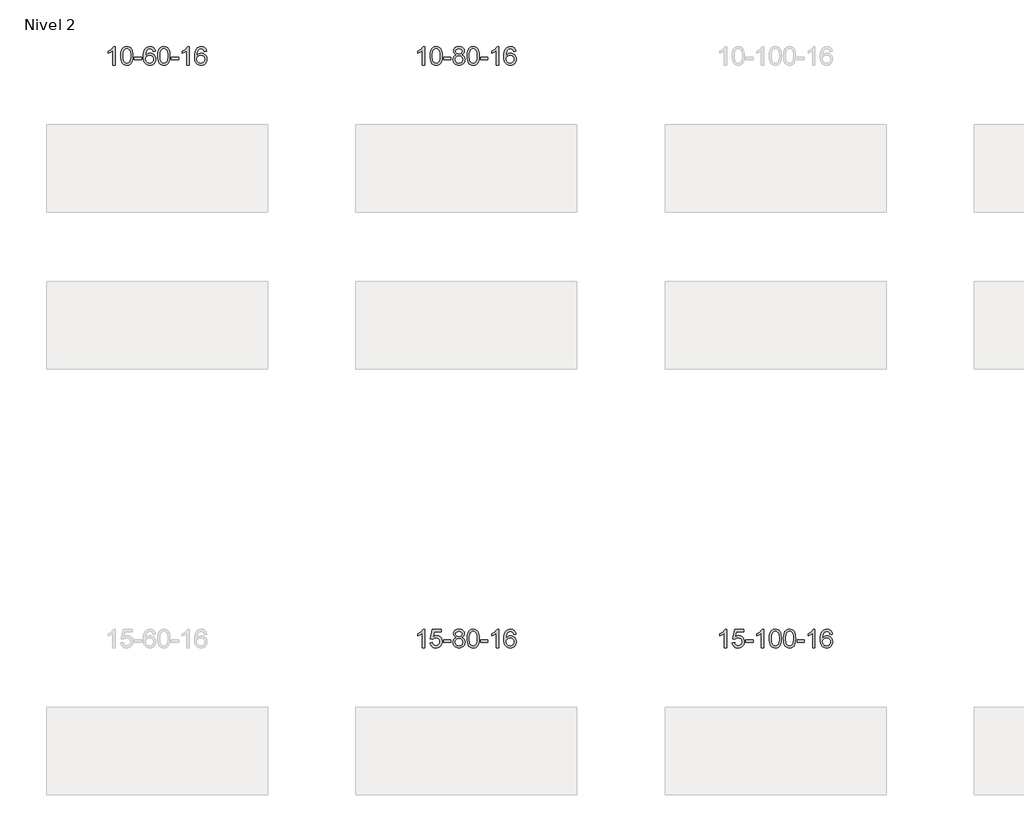
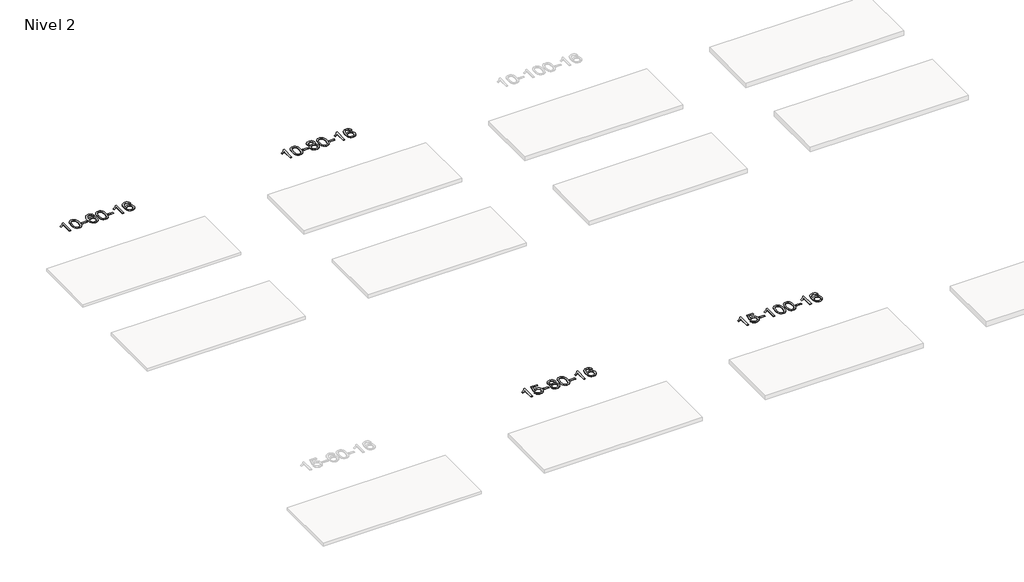
# One storey, part 32 of 51: 4 proxies.
"""IFC4 building model written with IfcOpenShell, lengths in millimetres."""

from ifc_helpers import new_model, si_unit, frame, origin, place, context, project, spatial, polyline, outline, extrude, element, save

model = new_model("IFC4")

# Units and contexts
model_context = context("Model", 3, world=origin())
ifc_project = project(units=[si_unit("LENGTHUNIT", "METRE", prefix="MILLI")], contexts=[model_context])

# Site, building, storey
site = spatial("IfcSite", under=ifc_project)
building = spatial("IfcBuilding", under=site)
storey = spatial("IfcBuildingStorey", under=building, Name="Nivel 2", Elevation=3000.0)

# Proxies
placement = place(None, origin())
element("IfcBuildingElementProxy", 1, Name="Texto de modelo 1", ObjectType="Texto de modelo 1", at=placement, inside=storey, context=model_context, shape_type="SweptSolid", body=[
    extrude(outline(polyline([(4824.6154698, -64430.3053468), (4774.3873148, -64430.3053468), (4774.3873148, -64117.1641925), (4753.418041, -64134.1235525), (4726.80791, -64151.058387), (4673.9310046, -64176.4177192), (4673.9310046, -64128.9364164), (4713.3802172, -64107.4766333), (4747.5564546, -64081.9456229), (4774.4976794, -64054.7959316), (4792.2418543, -64028.4801062), (4824.6154698, -64028.4801062), (4824.6154698, -64430.3053468)])), frame((0.0, 0.0, 3000.0), z_axis=(0.0, 0.0, 1.0), x_axis=(1.0, 0.0, 0.0)), (0.0, 0.0, 1.0), 10.0),
    extrude(outline(polyline([(4943.9073381, -64232.6300881), (4947.5984208, -64168.3120526), (4958.6716689, -64117.0170397), (4977.0167177, -64077.9602346), (4988.8747807, -64062.7268543), (5002.5232027, -64050.3568222), (5018.007969, -64040.785759), (5035.3750649, -64033.9492852), (5075.7562452, -64028.4801062), (5106.7073837, -64031.7174678), (5134.4211607, -64041.4295525), (5157.5977264, -64057.2362155), (5174.9372311, -64078.7573122), (5188.0338301, -64105.8089016), (5198.4816788, -64138.2070427), (5205.3242839, -64179.3485125), (5207.6051523, -64232.6300881), (5203.9508578, -64296.5802416), (5192.9879743, -64347.7526271), (5174.7532901, -64386.8462205), (5162.9228183, -64402.125586), (5149.2835933, -64414.5599974), (5133.7804329, -64424.19544), (5116.3581547, -64431.077899), (5075.7562452, -64436.5838662), (5048.0915192, -64434.1926333), (5023.5660528, -64427.0189343), (5002.1798462, -64415.0627695), (4983.9328992, -64398.3241387), (4966.4217162, -64368.0658446), (4953.9137284, -64330.3640715), (4946.4089357, -64285.2188193), (4943.9073381, -64232.6300881)]), holes=[polyline([(4994.1354932, -64232.5319862), (4995.6070212, -64276.1965134), (5000.0216051, -64311.5407761), (5007.379245, -64338.5647743), (5017.6799409, -64357.2685081), (5030.1388778, -64369.9941594), (5043.9712408, -64379.0839104), (5059.17703, -64384.537761), (5075.7562452, -64386.3557111), (5092.3354605, -64384.5316296), (5107.5412496, -64379.0593849), (5121.3736126, -64369.9389771), (5133.8325495, -64357.1704062), (5144.1332454, -64338.4360156), (5151.4908853, -64311.4181487), (5155.9054692, -64276.1168056), (5157.3769972, -64232.5319862), (5155.9545202, -64190.0232217), (5151.687089, -64155.3012927), (5144.5747038, -64128.3661993), (5134.6173644, -64109.2179414), (5122.366894, -64095.8699564), (5108.3751154, -64086.3356813), (5092.6420288, -64080.6151163), (5075.167634, -64078.7082613), (5058.6742579, -64080.3882558), (5043.7259862, -64085.4282391), (5030.3228188, -64093.8282113), (5018.4647558, -64105.5881724), (5007.8207034, -64126.4348188), (5000.2178089, -64154.5410033), (4995.6560721, -64189.9067257), (4994.1354932, -64232.5319862)])]), frame((0.0, 0.0, 3000.0), z_axis=(0.0, 0.0, 1.0), x_axis=(1.0, 0.0, 0.0)), (0.0, 0.0, 1.0), 10.0),
    extrude(outline(polyline([(5238.9977492, -64311.0134785), (5238.9977492, -64260.7853235), (5395.9607338, -64260.7853235), (5395.9607338, -64311.0134785), (5238.9977492, -64311.0134785)])), frame((0.0, 0.0, 3000.0), z_axis=(0.0, 0.0, 1.0), x_axis=(1.0, 0.0, 0.0)), (0.0, 0.0, 1.0), 10.0),
    extrude(outline(polyline([(5697.3296643, -64135.2149358), (5647.1015092, -64141.4934552), (5639.0081053, -64116.6001068), (5628.0697473, -64099.6039586), (5605.2855891, -64083.9321856), (5577.7434904, -64078.7082613), (5554.3952464, -64081.7494191), (5532.4204286, -64090.8728926), (5513.5480822, -64110.0885955), (5498.1338266, -64136.539311), (5487.7227661, -64173.9529099), (5483.8600052, -64226.0572631), (5504.0076758, -64202.5496036), (5528.1529974, -64185.9826511), (5554.9470694, -64176.1602018), (5583.0409911, -64172.8860521), (5607.17405, -64175.1240009), (5629.4431734, -64181.8378473), (5649.8483614, -64193.0275913), (5668.389614, -64208.6932329), (5683.7977382, -64227.9028045), (5694.8035412, -64249.7243381), (5701.407023, -64274.157834), (5703.6081836, -64301.203292), (5699.4633798, -64337.1698884), (5687.0289684, -64370.5122599), (5667.3350189, -64398.7901226), (5641.411601, -64419.5631926), (5610.435937, -64432.3286978), (5575.5852493, -64436.5838662), (5545.6427206, -64433.7634376), (5518.6003283, -64425.3021517), (5494.4580723, -64411.2000086), (5473.2159528, -64391.4570081), (5455.8979079, -64365.2392846), (5443.5278758, -64331.7129721), (5436.1058565, -64290.8780707), (5433.6318501, -64242.7345802), (5436.3787023, -64188.7601602), (5444.619259, -64142.695203), (5458.3535202, -64104.5397087), (5477.5814858, -64074.2936774), (5498.4220008, -64054.25024), (5522.5857165, -64039.933499), (5550.072633, -64031.3434544), (5580.88275, -64028.4801062), (5604.0163962, -64030.2520712), (5624.9550131, -64035.567966), (5643.6986007, -64044.4277907), (5660.2471591, -64056.8315453), (5674.1530986, -64072.3622969), (5684.9688292, -64090.6031125), (5692.6943511, -64111.5539921), (5697.3296643, -64135.2149358)]), holes=[polyline([(5483.8600052, -64300.4184771), (5486.7662729, -64322.6753378), (5495.4850762, -64343.9266544), (5509.0231337, -64362.1981268), (5526.3871638, -64375.515455), (5547.3441748, -64383.6456471), (5571.6611747, -64386.3557111), (5604.8073425, -64380.7393794), (5618.7224789, -64373.7189646), (5630.8656505, -64363.890384), (5640.7156909, -64351.6521763), (5647.751434, -64337.4028803), (5653.3800286, -64302.8710237), (5647.8250104, -64269.7248559), (5640.8812378, -64256.1040251), (5631.1599561, -64244.4513629), (5618.9799963, -64235.1163572), (5604.6601897, -64228.4484961), (5569.6010355, -64223.1142072), (5536.5039187, -64228.4484961), (5508.8269299, -64244.4513629), (5497.9039004, -64255.9507409), (5490.1017364, -64269.1117193), (5485.420438, -64283.934298), (5483.8600052, -64300.4184771)])]), frame((0.0, 0.0, 3000.0), z_axis=(0.0, 0.0, 1.0), x_axis=(1.0, 0.0, 0.0)), (0.0, 0.0, 1.0), 10.0),
    extrude(outline(polyline([(5747.5578193, -64232.6300881), (5751.248902, -64168.3120526), (5762.3221501, -64117.0170397), (5780.6671989, -64077.9602346), (5792.5252619, -64062.7268543), (5806.1736839, -64050.3568222), (5821.6584502, -64040.785759), (5839.0255461, -64033.9492852), (5879.4067264, -64028.4801062), (5910.3578649, -64031.7174678), (5938.0716419, -64041.4295525), (5961.2482076, -64057.2362155), (5978.5877123, -64078.7573122), (5991.6843113, -64105.8089016), (6002.13216, -64138.2070427), (6008.9747651, -64179.3485125), (6011.2556335, -64232.6300881), (6007.601339, -64296.5802416), (5996.6384555, -64347.7526271), (5978.4037713, -64386.8462205), (5966.5732995, -64402.125586), (5952.9340745, -64414.5599974), (5937.4309141, -64424.19544), (5920.0086359, -64431.077899), (5879.4067264, -64436.5838662), (5851.7420004, -64434.1926333), (5827.216534, -64427.0189343), (5805.8303274, -64415.0627695), (5787.5833804, -64398.3241387), (5770.0721974, -64368.0658446), (5757.5642096, -64330.3640715), (5750.0594169, -64285.2188193), (5747.5578193, -64232.6300881)]), holes=[polyline([(5797.7859744, -64232.5319862), (5799.2575024, -64276.1965134), (5803.6720863, -64311.5407761), (5811.0297262, -64338.5647743), (5821.3304221, -64357.2685081), (5833.789359, -64369.9941594), (5847.621722, -64379.0839104), (5862.8275112, -64384.537761), (5879.4067264, -64386.3557111), (5895.9859417, -64384.5316296), (5911.1917308, -64379.0593849), (5925.0240938, -64369.9389771), (5937.4830307, -64357.1704062), (5947.7837266, -64338.4360156), (5955.1413665, -64311.4181487), (5959.5559504, -64276.1168056), (5961.0274784, -64232.5319862), (5959.6050013, -64190.0232217), (5955.3375702, -64155.3012927), (5948.225185, -64128.3661993), (5938.2678456, -64109.2179414), (5926.0173752, -64095.8699564), (5912.0255966, -64086.3356813), (5896.29251, -64080.6151163), (5878.8181152, -64078.7082613), (5862.3247391, -64080.3882558), (5847.3764674, -64085.4282391), (5833.9733, -64093.8282113), (5822.115237, -64105.5881724), (5811.4711846, -64126.4348188), (5803.8682901, -64154.5410033), (5799.3065533, -64189.9067257), (5797.7859744, -64232.5319862)])]), frame((0.0, 0.0, 3000.0), z_axis=(0.0, 0.0, 1.0), x_axis=(1.0, 0.0, 0.0)), (0.0, 0.0, 1.0), 10.0),
    extrude(outline(polyline([(6042.6482304, -64311.0134785), (6042.6482304, -64260.7853235), (6199.611215, -64260.7853235), (6199.611215, -64311.0134785), (6042.6482304, -64311.0134785)])), frame((0.0, 0.0, 3000.0), z_axis=(0.0, 0.0, 1.0), x_axis=(1.0, 0.0, 0.0)), (0.0, 0.0, 1.0), 10.0),
    extrude(outline(polyline([(6431.9164322, -64430.3053468), (6381.6882771, -64430.3053468), (6381.6882771, -64117.1641925), (6360.7190034, -64134.1235525), (6334.1088724, -64151.058387), (6281.231967, -64176.4177192), (6281.231967, -64128.9364164), (6320.6811796, -64107.4766333), (6354.857417, -64081.9456229), (6381.7986417, -64054.7959316), (6399.5428166, -64028.4801062), (6431.9164322, -64028.4801062), (6431.9164322, -64430.3053468)])), frame((0.0, 0.0, 3000.0), z_axis=(0.0, 0.0, 1.0), x_axis=(1.0, 0.0, 0.0)), (0.0, 0.0, 1.0), 10.0),
    extrude(outline(polyline([(6808.6275953, -64135.2149358), (6758.3994402, -64141.4934552), (6750.3060363, -64116.6001068), (6739.3676783, -64099.6039586), (6716.5835201, -64083.9321856), (6689.0414214, -64078.7082613), (6665.6931774, -64081.7494191), (6643.7183596, -64090.8728926), (6624.8460132, -64110.0885955), (6609.4317576, -64136.539311), (6599.0206972, -64173.9529099), (6595.1579362, -64226.0572631), (6615.3056068, -64202.5496036), (6639.4509284, -64185.9826511), (6666.2450004, -64176.1602018), (6694.3389221, -64172.8860521), (6718.471981, -64175.1240009), (6740.7411044, -64181.8378473), (6761.1462924, -64193.0275913), (6779.687545, -64208.6932329), (6795.0956692, -64227.9028045), (6806.1014723, -64249.7243381), (6812.7049541, -64274.157834), (6814.9061147, -64301.203292), (6810.7613109, -64337.1698884), (6798.3268994, -64370.5122599), (6778.6329499, -64398.7901226), (6752.709532, -64419.5631926), (6721.733868, -64432.3286978), (6686.8831803, -64436.5838662), (6656.9406516, -64433.7634376), (6629.8982593, -64425.3021517), (6605.7560034, -64411.2000086), (6584.5138838, -64391.4570081), (6567.1958389, -64365.2392846), (6554.8258068, -64331.7129721), (6547.4037876, -64290.8780707), (6544.9297811, -64242.7345802), (6547.6766334, -64188.7601602), (6555.9171901, -64142.695203), (6569.6514512, -64104.5397087), (6588.8794168, -64074.2936774), (6609.7199319, -64054.25024), (6633.8836476, -64039.933499), (6661.370564, -64031.3434544), (6692.1806811, -64028.4801062), (6715.3143272, -64030.2520712), (6736.2529441, -64035.567966), (6754.9965318, -64044.4277907), (6771.5450902, -64056.8315453), (6785.4510296, -64072.3622969), (6796.2667602, -64090.6031125), (6803.9922821, -64111.5539921), (6808.6275953, -64135.2149358)]), holes=[polyline([(6595.1579362, -64300.4184771), (6598.064204, -64322.6753378), (6606.7830073, -64343.9266544), (6620.3210647, -64362.1981268), (6637.6850949, -64375.515455), (6658.6421059, -64383.6456471), (6682.9591057, -64386.3557111), (6716.1052735, -64380.7393794), (6730.02041, -64373.7189646), (6742.1635815, -64363.890384), (6752.0136219, -64351.6521763), (6759.0493651, -64337.4028803), (6764.6779596, -64302.8710237), (6759.1229415, -64269.7248559), (6752.1791688, -64256.1040251), (6742.4578871, -64244.4513629), (6730.2779274, -64235.1163572), (6715.9581207, -64228.4484961), (6680.8989666, -64223.1142072), (6647.8018497, -64228.4484961), (6620.124861, -64244.4513629), (6609.2018314, -64255.9507409), (6601.3996674, -64269.1117193), (6596.718369, -64283.934298), (6595.1579362, -64300.4184771)])]), frame((0.0, 0.0, 3000.0), z_axis=(0.0, 0.0, 1.0), x_axis=(1.0, 0.0, 0.0)), (0.0, 0.0, 1.0), 10.0),
])
element("IfcBuildingElementProxy", 2, Name="Texto de modelo 1", ObjectType="Texto de modelo 1", at=placement, inside=storey, context=model_context, shape_type="SweptSolid", body=[
    extrude(outline(polyline([(11539.5560047, -64430.3053468), (11489.3278496, -64430.3053468), (11489.3278496, -64117.1641925), (11468.3585759, -64134.1235525), (11441.7484449, -64151.058387), (11388.8715394, -64176.4177192), (11388.8715394, -64128.9364164), (11428.320752, -64107.4766333), (11462.4969894, -64081.9456229), (11489.4382142, -64054.7959316), (11507.1823891, -64028.4801062), (11539.5560047, -64028.4801062), (11539.5560047, -64430.3053468)])), frame((0.0, 0.0, 3000.0), z_axis=(0.0, 0.0, 1.0), x_axis=(1.0, 0.0, 0.0)), (0.0, 0.0, 1.0), 10.0),
    extrude(outline(polyline([(11658.847873, -64232.6300881), (11662.5389556, -64168.3120526), (11673.6122037, -64117.0170397), (11691.9572525, -64077.9602346), (11703.8153155, -64062.7268543), (11717.4637375, -64050.3568222), (11732.9485038, -64040.785759), (11750.3155997, -64033.9492852), (11790.69678, -64028.4801062), (11821.6479186, -64031.7174678), (11849.3616955, -64041.4295525), (11872.5382612, -64057.2362155), (11889.8777659, -64078.7573122), (11902.974365, -64105.8089016), (11913.4222136, -64138.2070427), (11920.2648187, -64179.3485125), (11922.5456871, -64232.6300881), (11918.8913926, -64296.5802416), (11907.9285092, -64347.7526271), (11889.6938249, -64386.8462205), (11877.8633531, -64402.125586), (11864.2241281, -64414.5599974), (11848.7209677, -64424.19544), (11831.2986896, -64431.077899), (11790.69678, -64436.5838662), (11763.032054, -64434.1926333), (11738.5065876, -64427.0189343), (11717.120381, -64415.0627695), (11698.873434, -64398.3241387), (11681.3622511, -64368.0658446), (11668.8542632, -64330.3640715), (11661.3494705, -64285.2188193), (11658.847873, -64232.6300881)]), holes=[polyline([(11709.076028, -64232.5319862), (11710.547556, -64276.1965134), (11714.96214, -64311.5407761), (11722.3197799, -64338.5647743), (11732.6204757, -64357.2685081), (11745.0794126, -64369.9941594), (11758.9117756, -64379.0839104), (11774.1175648, -64384.537761), (11790.69678, -64386.3557111), (11807.2759953, -64384.5316296), (11822.4817844, -64379.0593849), (11836.3141474, -64369.9389771), (11848.7730843, -64357.1704062), (11859.0737802, -64338.4360156), (11866.4314201, -64311.4181487), (11870.846004, -64276.1168056), (11872.317532, -64232.5319862), (11870.895055, -64190.0232217), (11866.6276238, -64155.3012927), (11859.5152386, -64128.3661993), (11849.5578993, -64109.2179414), (11837.3074288, -64095.8699564), (11823.3156503, -64086.3356813), (11807.5825636, -64080.6151163), (11790.1081688, -64078.7082613), (11773.6147927, -64080.3882558), (11758.666521, -64085.4282391), (11745.2633536, -64093.8282113), (11733.4052906, -64105.5881724), (11722.7612383, -64126.4348188), (11715.1583437, -64154.5410033), (11710.5966069, -64189.9067257), (11709.076028, -64232.5319862)])]), frame((0.0, 0.0, 3000.0), z_axis=(0.0, 0.0, 1.0), x_axis=(1.0, 0.0, 0.0)), (0.0, 0.0, 1.0), 10.0),
    extrude(outline(polyline([(11953.938284, -64311.0134785), (11953.938284, -64260.7853235), (12110.9012686, -64260.7853235), (12110.9012686, -64311.0134785), (11953.938284, -64311.0134785)])), frame((0.0, 0.0, 3000.0), z_axis=(0.0, 0.0, 1.0), x_axis=(1.0, 0.0, 0.0)), (0.0, 0.0, 1.0), 10.0),
    extrude(outline(polyline([(12228.0348959, -64208.9875385), (12201.142722, -64195.7437867), (12182.2703757, -64177.7911453), (12171.1235512, -64155.4974964), (12167.4079431, -64129.230722), (12169.4312941, -64108.7458262), (12175.501347, -64089.9654504), (12185.6181019, -64072.8895944), (12199.7815587, -64057.5182584), (12217.3111357, -64044.8140668), (12237.5262514, -64035.7396443), (12260.4269056, -64030.2949907), (12286.0130983, -64028.4801062), (12311.7219184, -64030.3379103), (12334.7942509, -64035.9113225), (12355.2300957, -64045.2003429), (12373.0294529, -64058.2049714), (12387.4504271, -64073.8767444), (12397.751123, -64091.1671982), (12403.9315405, -64110.0763328), (12405.9916797, -64130.6041481), (12402.3251225, -64156.024794), (12391.3254508, -64177.9382981), (12372.8700374, -64195.7805749), (12346.8362549, -64208.9875385), (12377.7506052, -64224.9168289), (12400.2527206, -64248.3754375), (12413.974719, -64278.2351928), (12418.5487185, -64313.3679233), (12416.2801128, -64338.4206872), (12409.4742959, -64361.3887864), (12398.1312677, -64382.272221), (12382.2510283, -64401.070991), (12362.6674434, -64416.6078739), (12340.214379, -64427.7056474), (12314.891835, -64434.3643115), (12286.6998114, -64436.5838662), (12258.5077878, -64434.3551145), (12233.1852438, -64427.6688592), (12210.7321794, -64416.5251004), (12191.1485945, -64400.9238382), (12175.2683551, -64381.9932438), (12163.9253269, -64360.8614889), (12157.11951, -64337.5285733), (12154.8509043, -64311.9944972), (12159.6088448, -64275.5006033), (12173.8826662, -64245.4814325), (12196.9366046, -64222.9670544), (12228.0348959, -64208.9875385)]), holes=[polyline([(12217.6360982, -64130.70225), (12222.0874703, -64152.6280169), (12235.4415867, -64170.1391998), (12257.30604, -64181.6171181), (12287.2884226, -64185.4430908), (12316.5718294, -64181.6416436), (12338.1051889, -64170.2373017), (12351.3489407, -64153.3147299), (12355.7635246, -64132.9585929), (12351.2017879, -64111.8299036), (12337.5165777, -64094.3555088), (12315.6889126, -64082.6200732), (12286.6998114, -64078.7082613), (12257.5267692, -64082.5342341), (12235.7358923, -64094.0121523), (12222.1610467, -64110.8366222), (12217.6360982, -64130.70225)]), polyline([(12205.0790594, -64310.2286636), (12207.1759868, -64329.4443665), (12213.4667689, -64348.0469327), (12225.0795772, -64364.2705287), (12243.1425832, -64376.3493209), (12264.7740445, -64383.8541136), (12287.0922189, -64386.3557111), (12321.2807189, -64381.0949986), (12335.1743956, -64374.519108), (12346.9343567, -64365.312861), (12362.9740117, -64341.4127941), (12368.3205634, -64311.7982935), (12362.8023335, -64281.6810208), (12346.2476437, -64257.2536563), (12334.1688515, -64247.8113518), (12320.0053947, -64241.0668485), (12285.4244871, -64235.6712459), (12251.7142337, -64240.9932721), (12237.9769068, -64247.6458049), (12226.3181133, -64256.9593507), (12210.3888229, -64280.9207313), (12205.0790594, -64310.2286636)])]), frame((0.0, 0.0, 3000.0), z_axis=(0.0, 0.0, 1.0), x_axis=(1.0, 0.0, 0.0)), (0.0, 0.0, 1.0), 10.0),
    extrude(outline(polyline([(12462.4983542, -64232.6300881), (12466.1894368, -64168.3120526), (12477.2626849, -64117.0170397), (12495.6077337, -64077.9602346), (12507.4657967, -64062.7268543), (12521.1142187, -64050.3568222), (12536.598985, -64040.785759), (12553.9660809, -64033.9492852), (12594.3472612, -64028.4801062), (12625.2983998, -64031.7174678), (12653.0121767, -64041.4295525), (12676.1887424, -64057.2362155), (12693.5282471, -64078.7573122), (12706.6248462, -64105.8089016), (12717.0726948, -64138.2070427), (12723.9152999, -64179.3485125), (12726.1961683, -64232.6300881), (12722.5418738, -64296.5802416), (12711.5789904, -64347.7526271), (12693.3443061, -64386.8462205), (12681.5138343, -64402.125586), (12667.8746093, -64414.5599974), (12652.3714489, -64424.19544), (12634.9491708, -64431.077899), (12594.3472612, -64436.5838662), (12566.6825352, -64434.1926333), (12542.1570688, -64427.0189343), (12520.7708622, -64415.0627695), (12502.5239152, -64398.3241387), (12485.0127323, -64368.0658446), (12472.5047444, -64330.3640715), (12464.9999517, -64285.2188193), (12462.4983542, -64232.6300881)]), holes=[polyline([(12512.7265092, -64232.5319862), (12514.1980372, -64276.1965134), (12518.6126212, -64311.5407761), (12525.9702611, -64338.5647743), (12536.2709569, -64357.2685081), (12548.7298938, -64369.9941594), (12562.5622568, -64379.0839104), (12577.768046, -64384.537761), (12594.3472612, -64386.3557111), (12610.9264765, -64384.5316296), (12626.1322656, -64379.0593849), (12639.9646286, -64369.9389771), (12652.4235655, -64357.1704062), (12662.7242614, -64338.4360156), (12670.0819013, -64311.4181487), (12674.4964852, -64276.1168056), (12675.9680132, -64232.5319862), (12674.5455362, -64190.0232217), (12670.278105, -64155.3012927), (12663.1657198, -64128.3661993), (12653.2083805, -64109.2179414), (12640.95791, -64095.8699564), (12626.9661315, -64086.3356813), (12611.2330448, -64080.6151163), (12593.75865, -64078.7082613), (12577.2652739, -64080.3882558), (12562.3170022, -64085.4282391), (12548.9138348, -64093.8282113), (12537.0557718, -64105.5881724), (12526.4117194, -64126.4348188), (12518.8088249, -64154.5410033), (12514.2470881, -64189.9067257), (12512.7265092, -64232.5319862)])]), frame((0.0, 0.0, 3000.0), z_axis=(0.0, 0.0, 1.0), x_axis=(1.0, 0.0, 0.0)), (0.0, 0.0, 1.0), 10.0),
    extrude(outline(polyline([(12757.5887652, -64311.0134785), (12757.5887652, -64260.7853235), (12914.5517498, -64260.7853235), (12914.5517498, -64311.0134785), (12757.5887652, -64311.0134785)])), frame((0.0, 0.0, 3000.0), z_axis=(0.0, 0.0, 1.0), x_axis=(1.0, 0.0, 0.0)), (0.0, 0.0, 1.0), 10.0),
    extrude(outline(polyline([(13146.856967, -64430.3053468), (13096.628812, -64430.3053468), (13096.628812, -64117.1641925), (13075.6595382, -64134.1235525), (13049.0494073, -64151.058387), (12996.1725018, -64176.4177192), (12996.1725018, -64128.9364164), (13035.6217144, -64107.4766333), (13069.7979518, -64081.9456229), (13096.7391766, -64054.7959316), (13114.4833515, -64028.4801062), (13146.856967, -64028.4801062), (13146.856967, -64430.3053468)])), frame((0.0, 0.0, 3000.0), z_axis=(0.0, 0.0, 1.0), x_axis=(1.0, 0.0, 0.0)), (0.0, 0.0, 1.0), 10.0),
    extrude(outline(polyline([(13523.5681301, -64135.2149358), (13473.339975, -64141.4934552), (13465.2465711, -64116.6001068), (13454.3082132, -64099.6039586), (13431.5240549, -64083.9321856), (13403.9819562, -64078.7082613), (13380.6337123, -64081.7494191), (13358.6588944, -64090.8728926), (13339.7865481, -64110.0885955), (13324.3722925, -64136.539311), (13313.961232, -64173.9529099), (13310.098471, -64226.0572631), (13330.2461416, -64202.5496036), (13354.3914633, -64185.9826511), (13381.1855352, -64176.1602018), (13409.2794569, -64172.8860521), (13433.4125158, -64175.1240009), (13455.6816393, -64181.8378473), (13476.0868273, -64193.0275913), (13494.6280798, -64208.6932329), (13510.0362041, -64227.9028045), (13521.0420071, -64249.7243381), (13527.6454889, -64274.157834), (13529.8466495, -64301.203292), (13525.7018457, -64337.1698884), (13513.2674342, -64370.5122599), (13493.5734848, -64398.7901226), (13467.6500668, -64419.5631926), (13436.6744028, -64432.3286978), (13401.8237152, -64436.5838662), (13371.8811864, -64433.7634376), (13344.8387941, -64425.3021517), (13320.6965382, -64411.2000086), (13299.4544186, -64391.4570081), (13282.1363737, -64365.2392846), (13269.7663416, -64331.7129721), (13262.3443224, -64290.8780707), (13259.870316, -64242.7345802), (13262.6171682, -64188.7601602), (13270.8577249, -64142.695203), (13284.591986, -64104.5397087), (13303.8199517, -64074.2936774), (13324.6604667, -64054.25024), (13348.8241824, -64039.933499), (13376.3110988, -64031.3434544), (13407.1212159, -64028.4801062), (13430.254862, -64030.2520712), (13451.1934789, -64035.567966), (13469.9370666, -64044.4277907), (13486.485625, -64056.8315453), (13500.3915644, -64072.3622969), (13511.2072951, -64090.6031125), (13518.932817, -64111.5539921), (13523.5681301, -64135.2149358)]), holes=[polyline([(13310.098471, -64300.4184771), (13313.0047388, -64322.6753378), (13321.7235421, -64343.9266544), (13335.2615995, -64362.1981268), (13352.6256297, -64375.515455), (13373.5826407, -64383.6456471), (13397.8996406, -64386.3557111), (13431.0458083, -64380.7393794), (13444.9609448, -64373.7189646), (13457.1041163, -64363.890384), (13466.9541567, -64351.6521763), (13473.9898999, -64337.4028803), (13479.6184944, -64302.8710237), (13474.0634763, -64269.7248559), (13467.1197036, -64256.1040251), (13457.3984219, -64244.4513629), (13445.2184622, -64235.1163572), (13430.8986555, -64228.4484961), (13395.8395014, -64223.1142072), (13362.7423846, -64228.4484961), (13335.0653958, -64244.4513629), (13324.1423662, -64255.9507409), (13316.3402022, -64269.1117193), (13311.6589038, -64283.934298), (13310.098471, -64300.4184771)])]), frame((0.0, 0.0, 3000.0), z_axis=(0.0, 0.0, 1.0), x_axis=(1.0, 0.0, 0.0)), (0.0, 0.0, 1.0), 10.0),
])
element("IfcBuildingElementProxy", 3, Name="Texto de modelo 1", ObjectType="Texto de modelo 1", at=placement, inside=storey, context=model_context, shape_type="SweptSolid", body=[
    extrude(outline(polyline([(11539.5560047, -77088.6860497), (11489.3278496, -77088.6860497), (11489.3278496, -76775.5448954), (11468.3585759, -76792.5042554), (11441.7484449, -76809.4390899), (11388.8715394, -76834.7984221), (11388.8715394, -76787.3171193), (11428.320752, -76765.8573362), (11462.4969894, -76740.3263258), (11489.4382142, -76713.1766345), (11507.1823891, -76686.8608091), (11539.5560047, -76686.8608091), (11539.5560047, -77088.6860497)])), frame((0.0, 0.0, 3000.0), z_axis=(0.0, 0.0, 1.0), x_axis=(1.0, 0.0, 0.0)), (0.0, 0.0, 1.0), 10.0),
    extrude(outline(polyline([(11658.847873, -76981.9512202), (11709.076028, -76975.6727008), (11718.2976034, -77005.8267617), (11734.3863093, -77027.4214348), (11757.2685694, -77040.4076692), (11786.8708073, -77044.736414), (11806.000671, -77043.2311636), (11822.8741919, -77038.7154121), (11837.4913698, -77031.1891596), (11849.8522049, -77020.6524061), (11859.6807855, -77007.6263178), (11866.7012002, -76992.6320608), (11872.317532, -76956.7390408), (11867.0568195, -76922.9429482), (11860.4809288, -76909.024746), (11851.2746819, -76897.0931066), (11839.4074219, -76887.5220434), (11824.8484919, -76880.6855697), (11787.6556222, -76875.2163907), (11763.2895714, -76877.3991572), (11743.5588337, -76883.9474567), (11727.8012216, -76893.9783724), (11715.3545474, -76906.6089876), (11665.1263923, -76900.3304682), (11709.076028, -76693.1393285), (11903.7101289, -76693.1393285), (11903.7101289, -76743.3674836), (11749.6902003, -76743.3674836), (11728.2058918, -76854.0263877), (11745.9316726, -76841.3221962), (11764.086649, -76832.2477736), (11782.6708212, -76826.8031201), (11801.684189, -76824.9882356), (11826.1452759, -76827.2384471), (11848.6136688, -76833.9890817), (11869.0893675, -76845.2401394), (11887.5723721, -76860.9916202), (11902.8731974, -76880.2808995), (11913.8023583, -76902.1453527), (11920.3598549, -76926.5849799), (11922.5456871, -76953.5997811), (11920.5775184, -76979.6213009), (11914.6730124, -77003.8279362), (11904.832169, -77026.219687), (11891.0549883, -77046.7965532), (11870.1838165, -77067.8700602), (11845.8300284, -77082.9225651), (11817.9936241, -77091.9540681), (11786.6746035, -77094.9645691), (11760.7542513, -77093.030123), (11737.341628, -77087.2267845), (11716.4367336, -77077.5545537), (11698.0395682, -77064.0134306), (11682.7326115, -77047.2778655), (11671.0983434, -77028.0223087), (11663.1367639, -77006.2467603), (11658.847873, -76981.9512202)])), frame((0.0, 0.0, 3000.0), z_axis=(0.0, 0.0, 1.0), x_axis=(1.0, 0.0, 0.0)), (0.0, 0.0, 1.0), 10.0),
    extrude(outline(polyline([(11953.938284, -76969.3941814), (11953.938284, -76919.1660264), (12110.9012686, -76919.1660264), (12110.9012686, -76969.3941814), (11953.938284, -76969.3941814)])), frame((0.0, 0.0, 3000.0), z_axis=(0.0, 0.0, 1.0), x_axis=(1.0, 0.0, 0.0)), (0.0, 0.0, 1.0), 10.0),
    extrude(outline(polyline([(12228.0348959, -76867.3682414), (12201.142722, -76854.1244896), (12182.2703757, -76836.1718482), (12171.1235512, -76813.8781993), (12167.4079431, -76787.6114249), (12169.4312941, -76767.1265291), (12175.501347, -76748.3461533), (12185.6181019, -76731.2702973), (12199.7815587, -76715.8989613), (12217.3111357, -76703.1947697), (12237.5262514, -76694.1203472), (12260.4269056, -76688.6756936), (12286.0130983, -76686.8608091), (12311.7219184, -76688.7186132), (12334.7942509, -76694.2920254), (12355.2300957, -76703.5810458), (12373.0294529, -76716.5856743), (12387.4504271, -76732.2574473), (12397.751123, -76749.5479011), (12403.9315405, -76768.4570357), (12405.9916797, -76788.984851), (12402.3251225, -76814.4054969), (12391.3254508, -76836.319001), (12372.8700374, -76854.1612778), (12346.8362549, -76867.3682414), (12377.7506052, -76883.2975318), (12400.2527206, -76906.7561404), (12413.974719, -76936.6158957), (12418.5487185, -76971.7486262), (12416.2801128, -76996.8013901), (12409.4742959, -77019.7694893), (12398.1312677, -77040.6529239), (12382.2510283, -77059.4516939), (12362.6674434, -77074.9885768), (12340.214379, -77086.0863503), (12314.891835, -77092.7450144), (12286.6998114, -77094.9645691), (12258.5077878, -77092.7358174), (12233.1852438, -77086.0495621), (12210.7321794, -77074.9058033), (12191.1485945, -77059.3045411), (12175.2683551, -77040.3739467), (12163.9253269, -77019.2421918), (12157.11951, -76995.9092762), (12154.8509043, -76970.3752001), (12159.6088448, -76933.8813062), (12173.8826662, -76903.8621354), (12196.9366046, -76881.3477573), (12228.0348959, -76867.3682414)]), holes=[polyline([(12217.6360982, -76789.0829529), (12222.0874703, -76811.0087198), (12235.4415867, -76828.5199027), (12257.30604, -76839.997821), (12287.2884226, -76843.8237937), (12316.5718294, -76840.0223465), (12338.1051889, -76828.6180046), (12351.3489407, -76811.6954328), (12355.7635246, -76791.3392958), (12351.2017879, -76770.2106065), (12337.5165777, -76752.7362117), (12315.6889126, -76741.0007761), (12286.6998114, -76737.0889642), (12257.5267692, -76740.914937), (12235.7358923, -76752.3928552), (12222.1610467, -76769.2173251), (12217.6360982, -76789.0829529)]), polyline([(12205.0790594, -76968.6093665), (12207.1759868, -76987.8250694), (12213.4667689, -77006.4276356), (12225.0795772, -77022.6512316), (12243.1425832, -77034.7300238), (12264.7740445, -77042.2348165), (12287.0922189, -77044.736414), (12321.2807189, -77039.4757015), (12335.1743956, -77032.8998109), (12346.9343567, -77023.6935639), (12362.9740117, -76999.793497), (12368.3205634, -76970.1789964), (12362.8023335, -76940.0617237), (12346.2476437, -76915.6343592), (12334.1688515, -76906.1920547), (12320.0053947, -76899.4475514), (12285.4244871, -76894.0519488), (12251.7142337, -76899.373975), (12237.9769068, -76906.0265078), (12226.3181133, -76915.3400536), (12210.3888229, -76939.3014342), (12205.0790594, -76968.6093665)])]), frame((0.0, 0.0, 3000.0), z_axis=(0.0, 0.0, 1.0), x_axis=(1.0, 0.0, 0.0)), (0.0, 0.0, 1.0), 10.0),
    extrude(outline(polyline([(12462.4983542, -76891.010791), (12466.1894368, -76826.6927555), (12477.2626849, -76775.3977426), (12495.6077337, -76736.3409375), (12507.4657967, -76721.1075572), (12521.1142187, -76708.7375251), (12536.598985, -76699.1664619), (12553.9660809, -76692.3299881), (12594.3472612, -76686.8608091), (12625.2983998, -76690.0981707), (12653.0121767, -76699.8102554), (12676.1887424, -76715.6169184), (12693.5282471, -76737.1380151), (12706.6248462, -76764.1896045), (12717.0726948, -76796.5877456), (12723.9152999, -76837.7292154), (12726.1961683, -76891.010791), (12722.5418738, -76954.9609445), (12711.5789904, -77006.13333), (12693.3443061, -77045.2269234), (12681.5138343, -77060.5062889), (12667.8746093, -77072.9407003), (12652.3714489, -77082.5761429), (12634.9491708, -77089.4586019), (12594.3472612, -77094.9645691), (12566.6825352, -77092.5733362), (12542.1570688, -77085.3996372), (12520.7708622, -77073.4434724), (12502.5239152, -77056.7048416), (12485.0127323, -77026.4465475), (12472.5047444, -76988.7447744), (12464.9999517, -76943.5995222), (12462.4983542, -76891.010791)]), holes=[polyline([(12512.7265092, -76890.9126891), (12514.1980372, -76934.5772163), (12518.6126212, -76969.921479), (12525.9702611, -76996.9454772), (12536.2709569, -77015.649211), (12548.7298938, -77028.3748623), (12562.5622568, -77037.4646133), (12577.768046, -77042.9184639), (12594.3472612, -77044.736414), (12610.9264765, -77042.9123325), (12626.1322656, -77037.4400878), (12639.9646286, -77028.31968), (12652.4235655, -77015.5511091), (12662.7242614, -76996.8167185), (12670.0819013, -76969.7988516), (12674.4964852, -76934.4975085), (12675.9680132, -76890.9126891), (12674.5455362, -76848.4039246), (12670.278105, -76813.6819956), (12663.1657198, -76786.7469022), (12653.2083805, -76767.5986443), (12640.95791, -76754.2506593), (12626.9661315, -76744.7163842), (12611.2330448, -76738.9958192), (12593.75865, -76737.0889642), (12577.2652739, -76738.7689587), (12562.3170022, -76743.808942), (12548.9138348, -76752.2089142), (12537.0557718, -76763.9688753), (12526.4117194, -76784.8155217), (12518.8088249, -76812.9217062), (12514.2470881, -76848.2874286), (12512.7265092, -76890.9126891)])]), frame((0.0, 0.0, 3000.0), z_axis=(0.0, 0.0, 1.0), x_axis=(1.0, 0.0, 0.0)), (0.0, 0.0, 1.0), 10.0),
    extrude(outline(polyline([(12757.5887652, -76969.3941814), (12757.5887652, -76919.1660264), (12914.5517498, -76919.1660264), (12914.5517498, -76969.3941814), (12757.5887652, -76969.3941814)])), frame((0.0, 0.0, 3000.0), z_axis=(0.0, 0.0, 1.0), x_axis=(1.0, 0.0, 0.0)), (0.0, 0.0, 1.0), 10.0),
    extrude(outline(polyline([(13146.856967, -77088.6860497), (13096.628812, -77088.6860497), (13096.628812, -76775.5448954), (13075.6595382, -76792.5042554), (13049.0494073, -76809.4390899), (12996.1725018, -76834.7984221), (12996.1725018, -76787.3171193), (13035.6217144, -76765.8573362), (13069.7979518, -76740.3263258), (13096.7391766, -76713.1766345), (13114.4833515, -76686.8608091), (13146.856967, -76686.8608091), (13146.856967, -77088.6860497)])), frame((0.0, 0.0, 3000.0), z_axis=(0.0, 0.0, 1.0), x_axis=(1.0, 0.0, 0.0)), (0.0, 0.0, 1.0), 10.0),
    extrude(outline(polyline([(13523.5681301, -76793.5956387), (13473.339975, -76799.8741581), (13465.2465711, -76774.9808097), (13454.3082132, -76757.9846615), (13431.5240549, -76742.3128885), (13403.9819562, -76737.0889642), (13380.6337123, -76740.130122), (13358.6588944, -76749.2535955), (13339.7865481, -76768.4692984), (13324.3722925, -76794.9200139), (13313.961232, -76832.3336128), (13310.098471, -76884.437966), (13330.2461416, -76860.9303065), (13354.3914633, -76844.363354), (13381.1855352, -76834.5409047), (13409.2794569, -76831.266755), (13433.4125158, -76833.5047038), (13455.6816393, -76840.2185502), (13476.0868273, -76851.4082942), (13494.6280798, -76867.0739358), (13510.0362041, -76886.2835074), (13521.0420071, -76908.105041), (13527.6454889, -76932.5385369), (13529.8466495, -76959.5839949), (13525.7018457, -76995.5505913), (13513.2674342, -77028.8929628), (13493.5734848, -77057.1708255), (13467.6500668, -77077.9438955), (13436.6744028, -77090.7094007), (13401.8237152, -77094.9645691), (13371.8811864, -77092.1441405), (13344.8387941, -77083.6828546), (13320.6965382, -77069.5807115), (13299.4544186, -77049.837711), (13282.1363737, -77023.6199875), (13269.7663416, -76990.093675), (13262.3443224, -76949.2587736), (13259.870316, -76901.1152831), (13262.6171682, -76847.1408631), (13270.8577249, -76801.0759059), (13284.591986, -76762.9204116), (13303.8199517, -76732.6743803), (13324.6604667, -76712.6309429), (13348.8241824, -76698.3142019), (13376.3110988, -76689.7241573), (13407.1212159, -76686.8608091), (13430.254862, -76688.6327741), (13451.1934789, -76693.9486689), (13469.9370666, -76702.8084936), (13486.485625, -76715.2122482), (13500.3915644, -76730.7429998), (13511.2072951, -76748.9838154), (13518.932817, -76769.934695), (13523.5681301, -76793.5956387)]), holes=[polyline([(13310.098471, -76958.79918), (13313.0047388, -76981.0560407), (13321.7235421, -77002.3073573), (13335.2615995, -77020.5788297), (13352.6256297, -77033.8961579), (13373.5826407, -77042.02635), (13397.8996406, -77044.736414), (13431.0458083, -77039.1200823), (13444.9609448, -77032.0996675), (13457.1041163, -77022.2710869), (13466.9541567, -77010.0328792), (13473.9898999, -76995.7835832), (13479.6184944, -76961.2517266), (13474.0634763, -76928.1055588), (13467.1197036, -76914.484728), (13457.3984219, -76902.8320658), (13445.2184622, -76893.4970601), (13430.8986555, -76886.829199), (13395.8395014, -76881.4949101), (13362.7423846, -76886.829199), (13335.0653958, -76902.8320658), (13324.1423662, -76914.3314438), (13316.3402022, -76927.4924222), (13311.6589038, -76942.3150009), (13310.098471, -76958.79918)])]), frame((0.0, 0.0, 3000.0), z_axis=(0.0, 0.0, 1.0), x_axis=(1.0, 0.0, 0.0)), (0.0, 0.0, 1.0), 10.0),
])
element("IfcBuildingElementProxy", 4, Name="Texto de modelo 1", ObjectType="Texto de modelo 1", at=placement, inside=storey, context=model_context, shape_type="SweptSolid", body=[
    extrude(outline(polyline([(18100.6728146, -77088.6860497), (18050.4446595, -77088.6860497), (18050.4446595, -76775.5448954), (18029.4753858, -76792.5042554), (18002.8652548, -76809.4390899), (17949.9883493, -76834.7984221), (17949.9883493, -76787.3171193), (17989.437562, -76765.8573362), (18023.6137993, -76740.3263258), (18050.5550241, -76713.1766345), (18068.299199, -76686.8608091), (18100.6728146, -76686.8608091), (18100.6728146, -77088.6860497)])), frame((0.0, 0.0, 3000.0), z_axis=(0.0, 0.0, 1.0), x_axis=(1.0, 0.0, 0.0)), (0.0, 0.0, 1.0), 10.0),
    extrude(outline(polyline([(18219.9646829, -76981.9512202), (18270.1928379, -76975.6727008), (18279.4144133, -77005.8267617), (18295.5031192, -77027.4214348), (18318.3853793, -77040.4076692), (18347.9876172, -77044.736414), (18367.1174809, -77043.2311636), (18383.9910018, -77038.7154121), (18398.6081797, -77031.1891596), (18410.9690148, -77020.6524061), (18420.7975954, -77007.6263178), (18427.8180101, -76992.6320608), (18433.4343419, -76956.7390408), (18428.1736294, -76922.9429482), (18421.5977387, -76909.024746), (18412.3914918, -76897.0931066), (18400.5242318, -76887.5220434), (18385.9653018, -76880.6855697), (18348.7724321, -76875.2163907), (18324.4063813, -76877.3991572), (18304.6756436, -76883.9474567), (18288.9180315, -76893.9783724), (18276.4713573, -76906.6089876), (18226.2432022, -76900.3304682), (18270.1928379, -76693.1393285), (18464.8269389, -76693.1393285), (18464.8269389, -76743.3674836), (18310.8070102, -76743.3674836), (18289.3227017, -76854.0263877), (18307.0484825, -76841.3221962), (18325.203459, -76832.2477736), (18343.7876311, -76826.8031201), (18362.8009989, -76824.9882356), (18387.2620859, -76827.2384471), (18409.7304787, -76833.9890817), (18430.2061774, -76845.2401394), (18448.689182, -76860.9916202), (18463.9900073, -76880.2808995), (18474.9191683, -76902.1453527), (18481.4766648, -76926.5849799), (18483.662497, -76953.5997811), (18481.6943283, -76979.6213009), (18475.7898223, -77003.8279362), (18465.9489789, -77026.219687), (18452.1717982, -77046.7965532), (18431.3006264, -77067.8700602), (18406.9468383, -77082.9225651), (18379.110434, -77091.9540681), (18347.7914135, -77094.9645691), (18321.8710612, -77093.030123), (18298.4584379, -77087.2267845), (18277.5535435, -77077.5545537), (18259.1563781, -77064.0134306), (18243.8494214, -77047.2778655), (18232.2151533, -77028.0223087), (18224.2535738, -77006.2467603), (18219.9646829, -76981.9512202)])), frame((0.0, 0.0, 3000.0), z_axis=(0.0, 0.0, 1.0), x_axis=(1.0, 0.0, 0.0)), (0.0, 0.0, 1.0), 10.0),
    extrude(outline(polyline([(18515.0550939, -76969.3941814), (18515.0550939, -76919.1660264), (18672.0180785, -76919.1660264), (18672.0180785, -76969.3941814), (18515.0550939, -76969.3941814)])), frame((0.0, 0.0, 3000.0), z_axis=(0.0, 0.0, 1.0), x_axis=(1.0, 0.0, 0.0)), (0.0, 0.0, 1.0), 10.0),
    extrude(outline(polyline([(18904.3232958, -77088.6860497), (18854.0951407, -77088.6860497), (18854.0951407, -76775.5448954), (18833.125867, -76792.5042554), (18806.515736, -76809.4390899), (18753.6388305, -76834.7984221), (18753.6388305, -76787.3171193), (18793.0880432, -76765.8573362), (18827.2642805, -76740.3263258), (18854.2055053, -76713.1766345), (18871.9496802, -76686.8608091), (18904.3232958, -76686.8608091), (18904.3232958, -77088.6860497)])), frame((0.0, 0.0, 3000.0), z_axis=(0.0, 0.0, 1.0), x_axis=(1.0, 0.0, 0.0)), (0.0, 0.0, 1.0), 10.0),
    extrude(outline(polyline([(19023.6151641, -76891.010791), (19027.3062467, -76826.6927555), (19038.3794948, -76775.3977426), (19056.7245436, -76736.3409375), (19068.5826066, -76721.1075572), (19082.2310286, -76708.7375251), (19097.7157949, -76699.1664619), (19115.0828908, -76692.3299881), (19155.4640711, -76686.8608091), (19186.4152097, -76690.0981707), (19214.1289866, -76699.8102554), (19237.3055523, -76715.6169184), (19254.645057, -76737.1380151), (19267.7416561, -76764.1896045), (19278.1895047, -76796.5877456), (19285.0321098, -76837.7292154), (19287.3129782, -76891.010791), (19283.6586837, -76954.9609445), (19272.6958003, -77006.13333), (19254.461116, -77045.2269234), (19242.6306442, -77060.5062889), (19228.9914192, -77072.9407003), (19213.4882588, -77082.5761429), (19196.0659807, -77089.4586019), (19155.4640711, -77094.9645691), (19127.7993451, -77092.5733362), (19103.2738788, -77085.3996372), (19081.8876721, -77073.4434724), (19063.6407251, -77056.7048416), (19046.1295422, -77026.4465475), (19033.6215543, -76988.7447744), (19026.1167616, -76943.5995222), (19023.6151641, -76891.010791)]), holes=[polyline([(19073.8433191, -76890.9126891), (19075.3148471, -76934.5772163), (19079.7294311, -76969.921479), (19087.087071, -76996.9454772), (19097.3877668, -77015.649211), (19109.8467037, -77028.3748623), (19123.6790668, -77037.4646133), (19138.8848559, -77042.9184639), (19155.4640711, -77044.736414), (19172.0432864, -77042.9123325), (19187.2490755, -77037.4400878), (19201.0814385, -77028.31968), (19213.5403754, -77015.5511091), (19223.8410713, -76996.8167185), (19231.1987112, -76969.7988516), (19235.6132951, -76934.4975085), (19237.0848231, -76890.9126891), (19235.6623461, -76848.4039246), (19231.3949149, -76813.6819956), (19224.2825297, -76786.7469022), (19214.3251904, -76767.5986443), (19202.0747199, -76754.2506593), (19188.0829414, -76744.7163842), (19172.3498547, -76738.9958192), (19154.8754599, -76737.0889642), (19138.3820838, -76738.7689587), (19123.4338121, -76743.808942), (19110.0306447, -76752.2089142), (19098.1725818, -76763.9688753), (19087.5285294, -76784.8155217), (19079.9256348, -76812.9217062), (19075.3638981, -76848.2874286), (19073.8433191, -76890.9126891)])]), frame((0.0, 0.0, 3000.0), z_axis=(0.0, 0.0, 1.0), x_axis=(1.0, 0.0, 0.0)), (0.0, 0.0, 1.0), 10.0),
    extrude(outline(polyline([(19331.2626139, -76891.010791), (19334.9536966, -76826.6927555), (19346.0269446, -76775.3977426), (19364.3719935, -76736.3409375), (19376.2300564, -76721.1075572), (19389.8784785, -76708.7375251), (19405.3632448, -76699.1664619), (19422.7303406, -76692.3299881), (19463.111521, -76686.8608091), (19494.0626595, -76690.0981707), (19521.7764365, -76699.8102554), (19544.9530022, -76715.6169184), (19562.2925069, -76737.1380151), (19575.3891059, -76764.1896045), (19585.8369546, -76796.5877456), (19592.6795597, -76837.7292154), (19594.960428, -76891.010791), (19591.3061336, -76954.9609445), (19580.3432501, -77006.13333), (19562.1085659, -77045.2269234), (19550.278094, -77060.5062889), (19536.6388691, -77072.9407003), (19521.1357087, -77082.5761429), (19503.7134305, -77089.4586019), (19463.111521, -77094.9645691), (19435.4467949, -77092.5733362), (19410.9213286, -77085.3996372), (19389.5351219, -77073.4434724), (19371.288175, -77056.7048416), (19353.776992, -77026.4465475), (19341.2690042, -76988.7447744), (19333.7642115, -76943.5995222), (19331.2626139, -76891.010791)]), holes=[polyline([(19381.490769, -76890.9126891), (19382.962297, -76934.5772163), (19387.3768809, -76969.921479), (19394.7345208, -76996.9454772), (19405.0352167, -77015.649211), (19417.4941536, -77028.3748623), (19431.3265166, -77037.4646133), (19446.5323057, -77042.9184639), (19463.111521, -77044.736414), (19479.6907362, -77042.9123325), (19494.8965253, -77037.4400878), (19508.7288884, -77028.31968), (19521.1878253, -77015.5511091), (19531.4885211, -76996.8167185), (19538.846161, -76969.7988516), (19543.260745, -76934.4975085), (19544.732273, -76890.9126891), (19543.3097959, -76848.4039246), (19539.0423648, -76813.6819956), (19531.9299795, -76786.7469022), (19521.9726402, -76767.5986443), (19509.7221698, -76754.2506593), (19495.7303912, -76744.7163842), (19479.9973045, -76738.9958192), (19462.5229098, -76737.0889642), (19446.0295337, -76738.7689587), (19431.0812619, -76743.808942), (19417.6780946, -76752.2089142), (19405.8200316, -76763.9688753), (19395.1759792, -76784.8155217), (19387.5730846, -76812.9217062), (19383.0113479, -76848.2874286), (19381.490769, -76890.9126891)])]), frame((0.0, 0.0, 3000.0), z_axis=(0.0, 0.0, 1.0), x_axis=(1.0, 0.0, 0.0)), (0.0, 0.0, 1.0), 10.0),
    extrude(outline(polyline([(19626.353025, -76969.3941814), (19626.353025, -76919.1660264), (19783.3160096, -76919.1660264), (19783.3160096, -76969.3941814), (19626.353025, -76969.3941814)])), frame((0.0, 0.0, 3000.0), z_axis=(0.0, 0.0, 1.0), x_axis=(1.0, 0.0, 0.0)), (0.0, 0.0, 1.0), 10.0),
    extrude(outline(polyline([(20015.6212268, -77088.6860497), (19965.3930717, -77088.6860497), (19965.3930717, -76775.5448954), (19944.423798, -76792.5042554), (19917.813667, -76809.4390899), (19864.9367616, -76834.7984221), (19864.9367616, -76787.3171193), (19904.3859742, -76765.8573362), (19938.5622115, -76740.3263258), (19965.5034363, -76713.1766345), (19983.2476112, -76686.8608091), (20015.6212268, -76686.8608091), (20015.6212268, -77088.6860497)])), frame((0.0, 0.0, 3000.0), z_axis=(0.0, 0.0, 1.0), x_axis=(1.0, 0.0, 0.0)), (0.0, 0.0, 1.0), 10.0),
    extrude(outline(polyline([(20392.3323899, -76793.5956387), (20342.1042348, -76799.8741581), (20334.0108309, -76774.9808097), (20323.0724729, -76757.9846615), (20300.2883147, -76742.3128885), (20272.746216, -76737.0889642), (20249.397972, -76740.130122), (20227.4231541, -76749.2535955), (20208.5508078, -76768.4692984), (20193.1365522, -76794.9200139), (20182.7254917, -76832.3336128), (20178.8627308, -76884.437966), (20199.0104014, -76860.9303065), (20223.155723, -76844.363354), (20249.949795, -76834.5409047), (20278.0437167, -76831.266755), (20302.1767756, -76833.5047038), (20324.445899, -76840.2185502), (20344.851087, -76851.4082942), (20363.3923396, -76867.0739358), (20378.8004638, -76886.2835074), (20389.8062668, -76908.105041), (20396.4097486, -76932.5385369), (20398.6109092, -76959.5839949), (20394.4661054, -76995.5505913), (20382.031694, -77028.8929628), (20362.3377445, -77057.1708255), (20336.4143266, -77077.9438955), (20305.4386626, -77090.7094007), (20270.5879749, -77094.9645691), (20240.6454462, -77092.1441405), (20213.6030539, -77083.6828546), (20189.4607979, -77069.5807115), (20168.2186784, -77049.837711), (20150.9006335, -77023.6199875), (20138.5306014, -76990.093675), (20131.1085821, -76949.2587736), (20128.6345757, -76901.1152831), (20131.3814279, -76847.1408631), (20139.6219846, -76801.0759059), (20153.3562458, -76762.9204116), (20172.5842114, -76732.6743803), (20193.4247264, -76712.6309429), (20217.5884421, -76698.3142019), (20245.0753585, -76689.7241573), (20275.8854756, -76686.8608091), (20299.0191218, -76688.6327741), (20319.9577387, -76693.9486689), (20338.7013263, -76702.8084936), (20355.2498847, -76715.2122482), (20369.1558242, -76730.7429998), (20379.9715548, -76748.9838154), (20387.6970767, -76769.934695), (20392.3323899, -76793.5956387)]), holes=[polyline([(20178.8627308, -76958.79918), (20181.7689985, -76981.0560407), (20190.4878018, -77002.3073573), (20204.0258593, -77020.5788297), (20221.3898894, -77033.8961579), (20242.3469004, -77042.02635), (20266.6639003, -77044.736414), (20299.8100681, -77039.1200823), (20313.7252045, -77032.0996675), (20325.8683761, -77022.2710869), (20335.7184165, -77010.0328792), (20342.7541596, -76995.7835832), (20348.3827542, -76961.2517266), (20342.827736, -76928.1055588), (20335.8839634, -76914.484728), (20326.1626817, -76902.8320658), (20313.9827219, -76893.4970601), (20299.6629153, -76886.829199), (20264.6037611, -76881.4949101), (20231.5066443, -76886.829199), (20203.8296555, -76902.8320658), (20192.9066259, -76914.3314438), (20185.104462, -76927.4924222), (20180.4231636, -76942.3150009), (20178.8627308, -76958.79918)])]), frame((0.0, 0.0, 3000.0), z_axis=(0.0, 0.0, 1.0), x_axis=(1.0, 0.0, 0.0)), (0.0, 0.0, 1.0), 10.0),
])

save(model, "model.ifc")
